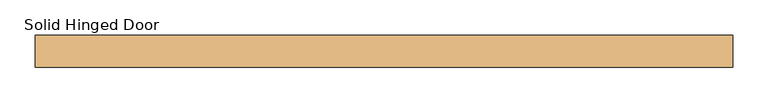
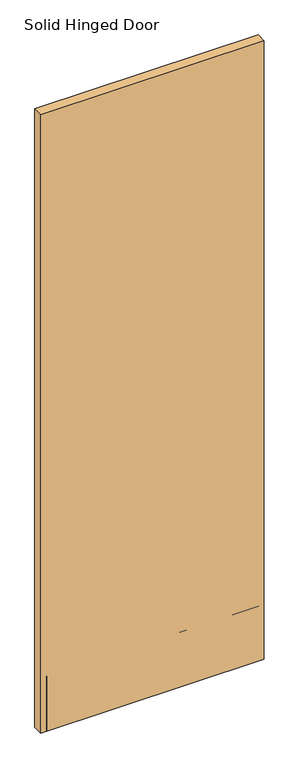
"""IFC4 building model written with IfcOpenShell, lengths in millimetres: door geometry, Solid Hinged Door."""

from ifc_helpers import new_model, si_unit, frame, origin, place, context, project, spatial, polyline, outline, extrude, source, transform, mapped, element, save


def solid_hinged_door_4d8f878a(model_context):
    return source(origin(), model_context, "Body", "SweptSolid", [
        extrude(outline(polyline([(490.9483606, 22.225), (490.9483606, -22.225), (-490.9483606, -22.225), (-490.9483606, 22.225), (490.9483606, 22.225)])), frame((0.0, 0.0, 12.7), z_axis=(0.0, 0.0, 1.0), x_axis=(1.0, 0.0, 0.0)), (0.0, 0.0, 1.0), 2869.8787999),
        extrude(outline(polyline([(465.5483606, -9.0035062), (465.5483606, -10.6037062), (-465.5483606, -10.6037062), (-465.5483606, -9.0035062), (465.5483606, -9.0035062)])), frame((0.0, 0.0, 12.7), z_axis=(0.0, 0.0, 1.0), x_axis=(1.0, 0.0, 0.0)), (0.0, 0.0, 1.0), 254.0),
        extrude(outline(polyline([(465.5483606, -20.6248), (465.5483606, -22.225), (-465.5483606, -22.225), (-465.5483606, -20.6248), (465.5483606, -20.6248)])), frame((0.0, 0.0, 12.7), z_axis=(0.0, 0.0, 1.0), x_axis=(1.0, 0.0, 0.0)), (0.0, 0.0, 1.0), 254.0),
    ])


if __name__ == "__main__":
    model = new_model("IFC4")
    model_context = context("Model", 3, world=origin())
    ifc_project = project(units=[si_unit("LENGTHUNIT", "METRE", prefix="MILLI")], contexts=[model_context])
    site = spatial("IfcSite", under=ifc_project)
    building = spatial("IfcBuilding", under=site)
    placement = place(None, origin())
    solid_hinged_door_shape = solid_hinged_door_4d8f878a(model_context)
    element("IfcDoor", 1, ObjectType="Solid Hinged Door", at=placement, inside=building, context=model_context, shape_type="MappedRepresentation", body=[
        mapped(solid_hinged_door_shape, transform((0.0, 0.0, 0.0), x_axis=(1.0, 0.0, 0.0), y_axis=(0.0, 1.0, 0.0), z_axis=(0.0, 0.0, 1.0))),
    ])
    save(model, "model.ifc")
